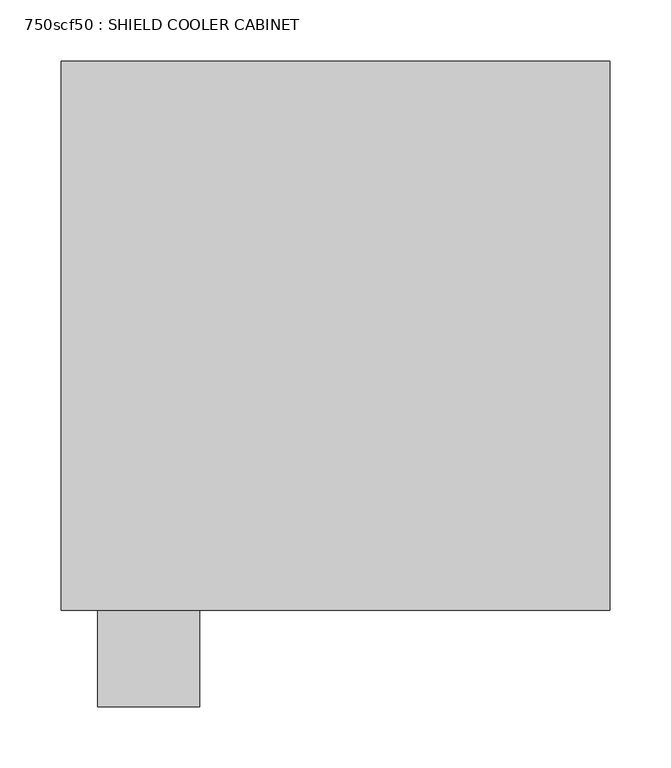
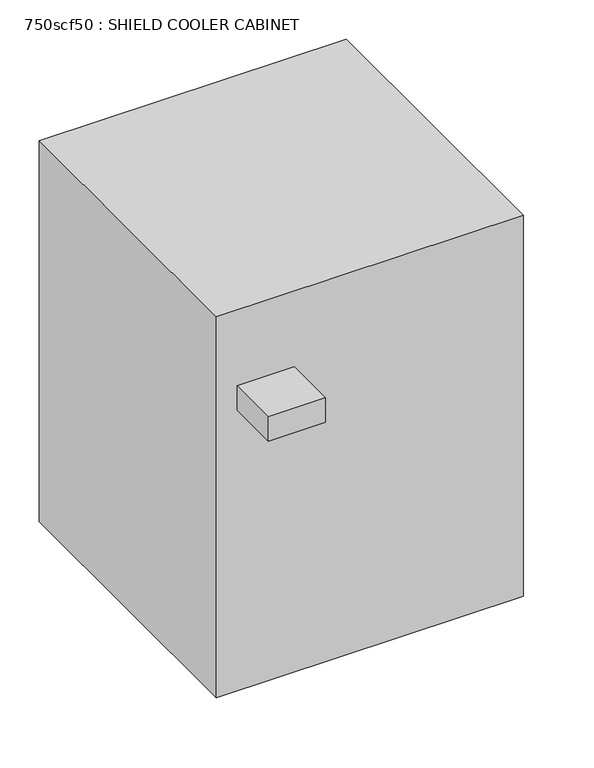
"""IFC4 building model written with IfcOpenShell, lengths in millimetres: proxy geometry, 750scf50 : SHIELD COOLER CABINET."""

from ifc_helpers import new_model, si_unit, frame, origin, origin_with_axes, place, context, project, spatial, polyline, outline, extrude, source, transform, mapped, element, save


def proxy_750scf50_shield_cooler_cabinet_e928fbe4(model_context):
    return source(origin(), model_context, "Body", "SweptSolid", [
        extrude(outline(polyline([(-1237.6796091, -27.411903), (-1321.297024, -27.411903), (-1321.297024, 51.6789439), (-1237.6796091, 51.6789439), (-1237.6796091, -27.411903)])), frame((0.0, 0.0, 435.1314633), z_axis=(0.0, 0.0, 1.0), x_axis=(1.0, 0.0, 0.0)), (0.0, 0.0, 1.0), 38.1),
        extrude(outline(polyline([(-1351.4833537, 51.6789439), (-1351.4833537, 501.7669439), (-901.3953537, 501.7669439), (-901.3953537, 51.6789439), (-1351.4833537, 51.6789439)])), origin_with_axes(), (0.0, 0.0, 1.0), 590.55),
    ])


if __name__ == "__main__":
    model = new_model("IFC4")
    model_context = context("Model", 3, world=origin())
    ifc_project = project(units=[si_unit("LENGTHUNIT", "METRE", prefix="MILLI")], contexts=[model_context])
    site = spatial("IfcSite", under=ifc_project)
    building = spatial("IfcBuilding", under=site)
    placement = place(None, origin())
    proxy_750scf50_shield_cooler_cabinet_shape = proxy_750scf50_shield_cooler_cabinet_e928fbe4(model_context)
    element("IfcBuildingElementProxy", 1, Name="750scf50 : SHIELD COOLER CABINET", ObjectType="750scf50 : SHIELD COOLER CABINET", at=placement, inside=building, context=model_context, shape_type="MappedRepresentation", body=[
        mapped(proxy_750scf50_shield_cooler_cabinet_shape, transform((0.0, 0.0, 0.0), x_axis=(1.0, 0.0, 0.0), y_axis=(0.0, 1.0, 0.0), z_axis=(0.0, 0.0, 1.0))),
    ])
    save(model, "model.ifc")
